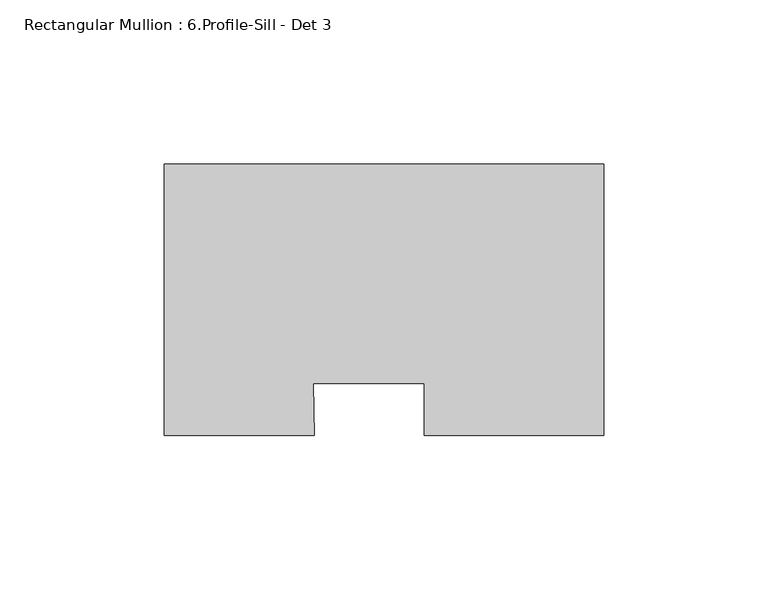
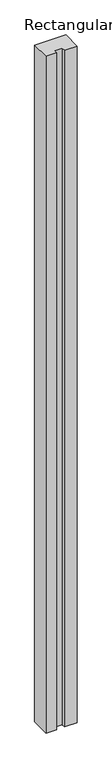
"""IFC4 building model written with IfcOpenShell, lengths in millimetres: member geometry, Rectangular Mullion : 6.Profile-Sill - Det 3."""

from ifc_helpers import new_model, si_unit, frame, origin, place, context, project, spatial, polyline, outline, extrude, source, transform, mapped, element, save


def rectangular_mullion_6_profile_sill_det_3_6eb35fbe(model_context):
    return source(origin(), model_context, "Body", "SweptSolid", [
        extrude(outline(polyline([(-88.0344129, -43.053), (-133.53415, -43.053), (-133.53415, 39.5018917), (0.0, 39.5018917), (0.0, -43.053), (-54.60365, -43.053), (-54.60365, -27.178), (-88.2284621, -27.178), (-88.0344129, -43.053)])), frame((0.0, 0.0, -3048.0), z_axis=(0.0, 0.0, 1.0), x_axis=(1.0, 0.0, 0.0)), (0.0, 0.0, 1.0), 3048.0),
    ])


if __name__ == "__main__":
    model = new_model("IFC4")
    model_context = context("Model", 3, world=origin())
    ifc_project = project(units=[si_unit("LENGTHUNIT", "METRE", prefix="MILLI")], contexts=[model_context])
    site = spatial("IfcSite", under=ifc_project)
    building = spatial("IfcBuilding", under=site)
    placement = place(None, origin())
    rectangular_mullion_6_profile_sill_det_3_shape = rectangular_mullion_6_profile_sill_det_3_6eb35fbe(model_context)
    element("IfcMember", 1, ObjectType="Rectangular Mullion : 6.Profile-Sill - Det 3", at=placement, inside=building, context=model_context, shape_type="MappedRepresentation", body=[
        mapped(rectangular_mullion_6_profile_sill_det_3_shape, transform((0.0, 0.0, 0.0), x_axis=(1.0, 0.0, 0.0), y_axis=(0.0, 1.0, 0.0), z_axis=(0.0, 0.0, 1.0))),
    ])
    save(model, "model.ifc")
